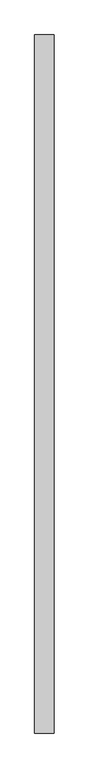
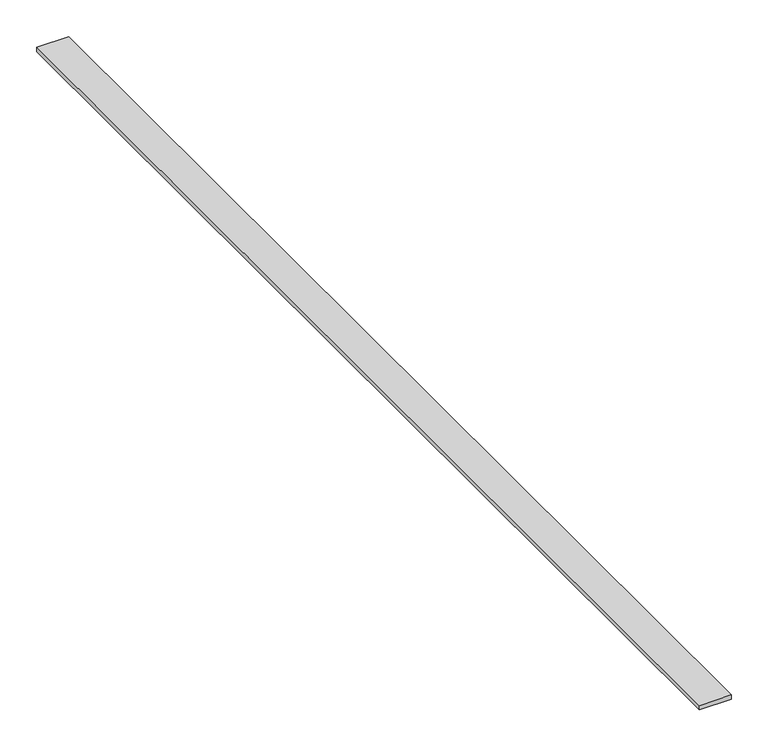
"""IFC4 building model written with IfcOpenShell, lengths in millimetres: proxy geometry."""

from ifc_helpers import new_model, si_unit, origin, origin_with_axes, place, context, project, spatial, polyline, outline, extrude, source, transform, mapped, element, save


def generic_models_dec5313c(model_context):
    return source(origin(), model_context, "Body", "SweptSolid", [
        extrude(outline(polyline([(26.7544115, -408.8971584), (-23.2455885, -408.8971584), (-23.2455885, 1391.1028416), (26.7544115, 1391.1028416), (26.7544115, -408.8971584)])), origin_with_axes(), (0.0, 0.0, 1.0), 7.0),
    ])


if __name__ == "__main__":
    model = new_model("IFC4")
    model_context = context("Model", 3, world=origin())
    ifc_project = project(units=[si_unit("LENGTHUNIT", "METRE", prefix="MILLI")], contexts=[model_context])
    site = spatial("IfcSite", under=ifc_project)
    building = spatial("IfcBuilding", under=site)
    placement = place(None, origin())
    generic_models_shape = generic_models_dec5313c(model_context)
    element("IfcBuildingElementProxy", 1, Name="Generic Models", at=placement, inside=building, context=model_context, shape_type="MappedRepresentation", body=[
        mapped(generic_models_shape, transform((0.0, 0.0, 0.0), x_axis=(1.0, 0.0, 0.0), y_axis=(0.0, 1.0, 0.0), z_axis=(0.0, 0.0, 1.0))),
    ])
    save(model, "model.ifc")
